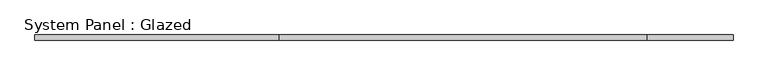
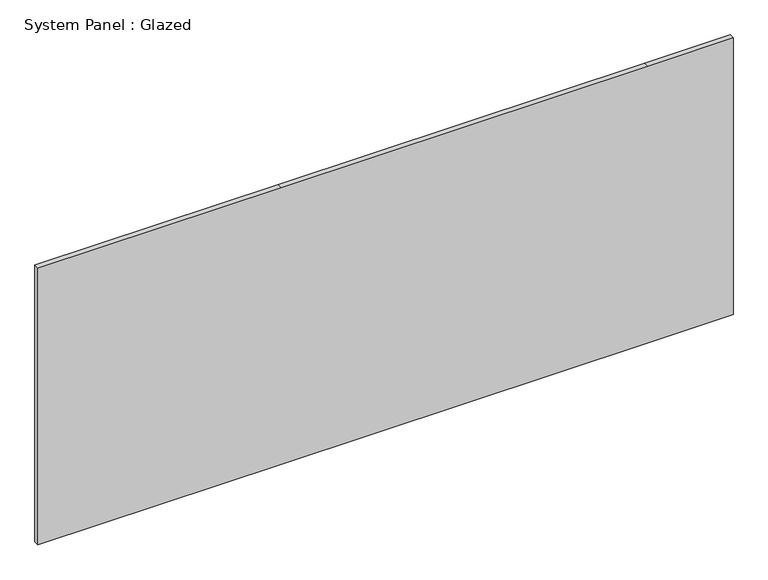
"""IFC4 building model written with IfcOpenShell, lengths in millimetres: plate geometry, System Panel : Glazed."""

from ifc_helpers import new_model, si_unit, frame, origin, place, context, project, spatial, polyline, outline, extrude, source, transform, mapped, element, save


def system_panel_glazed_ae25b20c(model_context):
    return source(origin(), model_context, "Body", "SweptSolid", [
        extrude(outline(polyline([(0.0, -1733.3575378), (0.0, -520.8924622), (0.0, 1307.9075378), (0.0, 1733.3575378), (1460.5, 1733.3575378), (1460.5, 1307.9075378), (1460.5, -520.8924622), (1460.5, -1733.3575378), (0.0, -1733.3575378)])), frame((0.0, 19.05, 0.0), z_axis=(0.0, 1.0, 0.0), x_axis=(0.0, 0.0, 1.0)), (0.0, 0.0, 1.0), 25.4),
    ])


if __name__ == "__main__":
    model = new_model("IFC4")
    model_context = context("Model", 3, world=origin())
    ifc_project = project(units=[si_unit("LENGTHUNIT", "METRE", prefix="MILLI")], contexts=[model_context])
    site = spatial("IfcSite", under=ifc_project)
    building = spatial("IfcBuilding", under=site)
    placement = place(None, origin())
    system_panel_glazed_shape = system_panel_glazed_ae25b20c(model_context)
    element("IfcPlate", 1, ObjectType="System Panel : Glazed", at=placement, inside=building, context=model_context, shape_type="MappedRepresentation", body=[
        mapped(system_panel_glazed_shape, transform((0.0, 0.0, 0.0), x_axis=(1.0, 0.0, 0.0), y_axis=(0.0, 1.0, 0.0), z_axis=(0.0, 0.0, 1.0))),
    ])
    save(model, "model.ifc")
